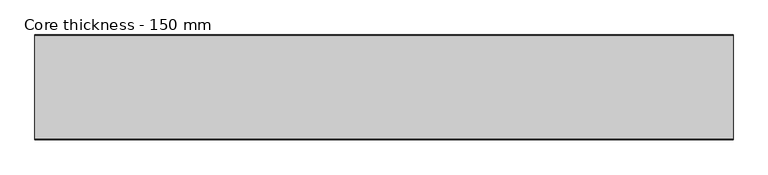
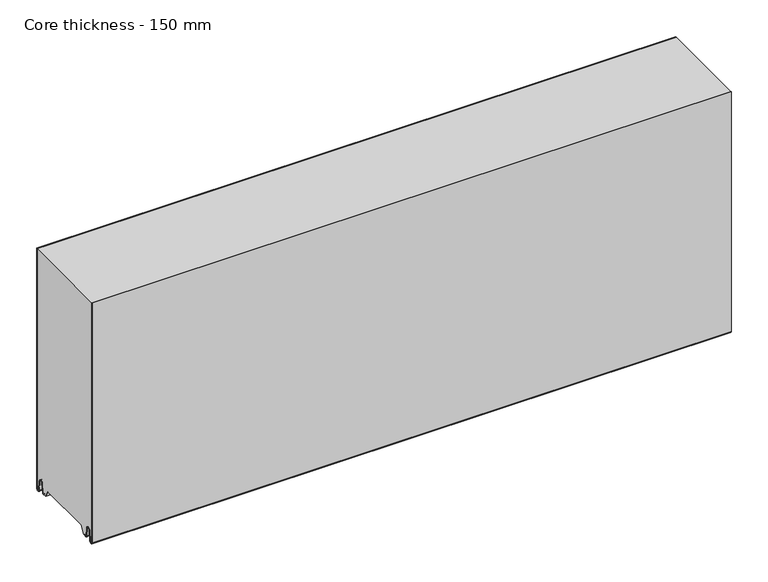
"""IFC4 building model written with IfcOpenShell, lengths in millimetres: plate geometry, Core thickness - 150 mm."""

from ifc_helpers import new_model, si_unit, frame, origin, place, context, project, spatial, polyline, circle_curve, source, transform, mapped, element, save
from ifc_brep_helpers import plane_surface, cylinder_surface, revolved_surface, advanced_brep


def core_thickness_150_mm_a08519d1(model_context):
    return source(origin(), model_context, "Body", "AdvancedBrep", [
        advanced_brep(
        [(500.0000002, -149.9996949, 2.9900682), (500.0000002, -143.81449, 2.6875612), (500.0000002, -142.197116, 19.1828169), (500.0000002, -139.1776715, 21.8898782), (500.0000002, -136.1582271, 19.1828169), (500.0000002, -134.7725998, 5.0510966), (500.0000002, -130.3830995, 5.265779), (500.0000002, -131.1830995, 5.265779), (500.0000002, -133.9764178, 5.1291629), (500.0000002, -135.3620451, 19.2608832), (500.0000002, -139.1776715, 22.6899182), (500.0000002, -142.9932979, 19.2608832), (500.0000002, -144.6106719, 2.7656275), (500.0000002, -149.1996949, 2.9900682), (500.0000002, -149.2, 400.0), (500.0000002, -149.9996949, 400.0), (-500.0000002, -149.1996949, 2.9900682), (-500.0000002, -144.6106719, 2.7656275), (-500.0000002, -142.9932979, 19.2608832), (-500.0000002, -139.1776715, 22.6899182), (-500.0000002, -135.3620451, 19.2608832), (-500.0000002, -133.9764178, 5.1291629), (-500.0000002, -131.1830995, 5.265779), (-500.0000002, -130.3830995, 5.265779), (-500.0000002, -134.7725998, 5.0510966), (-500.0000002, -136.1582271, 19.1828169), (-500.0000002, -139.1776715, 21.8898782), (-500.0000002, -142.197116, 19.1828169), (-500.0000002, -143.81449, 2.6875612), (-500.0000002, -149.9996949, 2.9900682), (-500.0000002, -149.9996949, 400.0), (-500.0000002, -149.2, 400.0)],
        [
            (0, 1, circle_curve(frame((500.0000002, -146.8996949, 2.9900682), z_axis=(1.0, 0.0, 0.0), x_axis=(0.0, 0.0, -1.0)), 3.1)),
            (1, 2),
            (2, 3, circle_curve(frame((500.0000002, -139.2114338, 18.8900682), z_axis=(-1.0, 0.0, 0.0), x_axis=(0.0, 0.0, -1.0)), 3.0)),
            (3, 4, circle_curve(frame((500.0000002, -139.1439093, 18.8900682), z_axis=(-1.0, 0.0, 0.0), x_axis=(0.0, 0.0, -1.0)), 3.0)),
            (4, 5),
            (5, 6, circle_curve(frame((500.0000002, -132.5830995, 5.265779), z_axis=(1.0, 0.0, 0.0), x_axis=(0.0, 0.0, -1.0)), 2.2)),
            (6, 7),
            (7, 8, circle_curve(frame((500.0000002, -132.5830995, 5.265779), z_axis=(-1.0, 0.0, 0.0), x_axis=(0.0, 0.0, -1.0)), 1.4)),
            (8, 9),
            (9, 10, circle_curve(frame((500.0000002, -139.1439093, 18.8900682), z_axis=(1.0, 0.0, 0.0), x_axis=(0.0, 0.0, -1.0)), 3.8)),
            (10, 11, circle_curve(frame((500.0000002, -139.2114338, 18.8900682), z_axis=(1.0, 0.0, 0.0), x_axis=(0.0, 0.0, -1.0)), 3.8)),
            (11, 12),
            (12, 13, circle_curve(frame((500.0000002, -146.8996949, 2.9900682), z_axis=(-1.0, 0.0, 0.0), x_axis=(0.0, 0.0, -1.0)), 2.3)),
            (13, 14),
            (14, 15),
            (15, 0),
            (16, 17, circle_curve(frame((-500.0000002, -146.8996949, 2.9900682), z_axis=(1.0, 0.0, 0.0), x_axis=(0.0, 0.0, -1.0)), 2.3)),
            (17, 18),
            (18, 19, circle_curve(frame((-500.0000002, -139.2114338, 18.8900682), z_axis=(-1.0, 0.0, 0.0), x_axis=(0.0, 0.0, -1.0)), 3.8)),
            (19, 20, circle_curve(frame((-500.0000002, -139.1439093, 18.8900682), z_axis=(-1.0, 0.0, 0.0), x_axis=(0.0, 0.0, -1.0)), 3.8)),
            (20, 21),
            (21, 22, circle_curve(frame((-500.0000002, -132.5830995, 5.265779), z_axis=(1.0, 0.0, 0.0), x_axis=(0.0, 0.0, -1.0)), 1.4)),
            (22, 23),
            (23, 24, circle_curve(frame((-500.0000002, -132.5830995, 5.265779), z_axis=(-1.0, 0.0, 0.0), x_axis=(0.0, 0.0, -1.0)), 2.2)),
            (24, 25),
            (25, 26, circle_curve(frame((-500.0000002, -139.1439093, 18.8900682), z_axis=(1.0, 0.0, 0.0), x_axis=(0.0, 0.0, -1.0)), 3.0)),
            (26, 27, circle_curve(frame((-500.0000002, -139.2114338, 18.8900682), z_axis=(1.0, 0.0, 0.0), x_axis=(0.0, 0.0, -1.0)), 3.0)),
            (27, 28),
            (28, 29, circle_curve(frame((-500.0000002, -146.8996949, 2.9900682), z_axis=(-1.0, 0.0, 0.0), x_axis=(0.0, 0.0, -1.0)), 3.1)),
            (29, 30),
            (30, 31),
            (31, 16),
            (13, 16),
            (31, 14),
            (29, 0),
            (15, 30),
            (12, 17),
            (11, 18),
            (10, 19),
            (9, 20),
            (8, 21),
            (7, 22),
            (6, 23),
            (5, 24),
            (4, 25),
            (3, 26),
            (2, 27),
            (1, 28),
        ],
        [
            plane_surface(frame((500.0000002, -150.0, 0.0), z_axis=(1.0, 0.0, 0.0), x_axis=(0.0, 1.0, 0.0))),
            plane_surface(frame((-500.0000002, -150.0, 0.0), z_axis=(-1.0, 0.0, 0.0), x_axis=(0.0, 1.0, 0.0))),
            plane_surface(frame((500.0000002, -149.2, 2.9900682), z_axis=(0.0, 1.0, 0.0), x_axis=(-1.0, 0.0, 0.0))),
            plane_surface(frame((500.0000002, -149.9996949, 1093.8000005), z_axis=(0.0, -1.0, 0.0), x_axis=(-1.0, 0.0, 0.0))),
            revolved_surface(polyline([(-500.0000002, -146.8996949, 0.6900682000000002), (500.0000002, -146.8996949, 0.6900682000000002)]), (500.0000002, -146.8996949, 2.9900682), (-1.0, 0.0, 0.0)),
            plane_surface(frame((500.0000002, -142.9932979, 19.2608832), z_axis=(0.0, -0.9952273999818314, 0.09758289975914787), x_axis=(-1.0, 0.0, 0.0))),
            cylinder_surface(frame((500.0000002, -139.2114338, 18.8900682), z_axis=(1.0, 0.0, 0.0), x_axis=(0.0, 0.0, -1.0)), 3.8),
            cylinder_surface(frame((500.0000002, -139.1439093, 18.8900682), z_axis=(1.0, 0.0, 0.0), x_axis=(0.0, 0.0, -1.0)), 3.8),
            plane_surface(frame((500.0000002, -133.9764178, 5.1291629), z_axis=(0.0, 0.9952273999818297, 0.09758289975916531), x_axis=(-1.0, 0.0, 0.0))),
            revolved_surface(polyline([(-500.0000002, -132.5830995, 3.8657790000000003), (500.0000002, -132.5830995, 3.8657790000000003)]), (500.0000002, -132.5830995, 5.265779), (-1.0, 0.0, 0.0)),
            plane_surface(frame((500.0000002, -130.3830995, 5.265779), z_axis=(0.0, 0.0, 1.0), x_axis=(-1.0, 0.0, 0.0))),
            cylinder_surface(frame((500.0000002, -132.5830995, 5.265779), z_axis=(1.0, 0.0, 0.0), x_axis=(0.0, 0.0, -1.0)), 2.2),
            plane_surface(frame((500.0000002, -136.1582271, 19.1828169), z_axis=(0.0, -0.9952273999818296, -0.09758289975916527), x_axis=(-1.0, 0.0, 0.0))),
            revolved_surface(polyline([(-500.0000002, -139.1439093, 15.890068200000002), (500.0000002, -139.1439093, 15.890068200000002)]), (500.0000002, -139.1439093, 18.8900682), (-1.0, 0.0, 0.0)),
            revolved_surface(polyline([(-500.0000002, -139.2114338, 15.890068200000002), (500.0000002, -139.2114338, 15.890068200000002)]), (500.0000002, -139.2114338, 18.8900682), (-1.0, 0.0, 0.0)),
            plane_surface(frame((500.0000002, -143.81449, 2.6875612), z_axis=(0.0, 0.9952273999818314, -0.09758289975914787), x_axis=(-1.0, 0.0, 0.0))),
            cylinder_surface(frame((500.0000002, -146.8996949, 2.9900682), z_axis=(1.0, 0.0, 0.0), x_axis=(0.0, 0.0, -1.0)), 3.1),
            plane_surface(frame((-500.0000002, 134.0533409, 400.0), z_axis=(0.0, 0.0, 1.0), x_axis=(1.0, 0.0, 0.0))),
        ],
        [
            (0, [[1, 2, 3, 4, 5, 6, 7, 8, 9, 10, 11, 12, 13, 14, 15, 16]]),
            (1, [[17, 18, 19, 20, 21, 22, 23, 24, 25, 26, 27, 28, 29, 30, 31, 32]]),
            (2, [[33, -32, 34, -14]]),
            (3, [[35, -16, 36, -30]]),
            (4, [[-13, 37, -17, -33]]),
            (5, [[-12, 38, -18, -37]]),
            (6, [[-11, 39, -19, -38]]),
            (7, [[-10, 40, -20, -39]]),
            (8, [[-9, 41, -21, -40]]),
            (9, [[-8, 42, -22, -41]]),
            (10, [[-7, 43, -23, -42]]),
            (11, [[-6, 44, -24, -43]]),
            (12, [[-5, 45, -25, -44]]),
            (13, [[-4, 46, -26, -45]]),
            (14, [[-3, 47, -27, -46]]),
            (15, [[-2, 48, -28, -47]]),
            (16, [[-1, -35, -29, -48]]),
            (17, [[-15, -34, -31, -36]]),
        ],
    ),
        advanced_brep(
        [(500.0000002, -0.8003051, 2.9900682), (500.0000002, -5.3893281, 2.7656275), (500.0000002, -7.0067021, 19.2608832), (500.0000002, -10.8223285, 22.6899182), (500.0000002, -14.6379549, 19.2608832), (500.0000002, -16.0235822, 5.1291629), (500.0000002, -18.8169005, 5.265779), (500.0000002, -19.6169005, 5.265779), (500.0000002, -15.2274002, 5.0510966), (500.0000002, -13.8417729, 19.1828169), (500.0000002, -10.8223285, 21.8898782), (500.0000002, -7.802884, 19.1828169), (500.0000002, -6.18551, 2.6875612), (500.0000002, -0.0003051, 2.9900682), (500.0000002, -0.0003051, 400.0), (500.0000002, -0.8, 400.0), (-500.0000002, -0.0003051, 2.9900682), (-500.0000002, -6.18551, 2.6875612), (-500.0000002, -7.802884, 19.1828169), (-500.0000002, -10.8223285, 21.8898782), (-500.0000002, -13.8417729, 19.1828169), (-500.0000002, -15.2274002, 5.0510966), (-500.0000002, -19.6169005, 5.265779), (-500.0000002, -18.8169005, 5.265779), (-500.0000002, -16.0235822, 5.1291629), (-500.0000002, -14.6379549, 19.2608832), (-500.0000002, -10.8223285, 22.6899182), (-500.0000002, -7.0067021, 19.2608832), (-500.0000002, -5.3893281, 2.7656275), (-500.0000002, -0.8003051, 2.9900682), (-500.0000002, -0.8, 400.0), (-500.0000002, -0.0003051, 400.0)],
        [
            (0, 1, circle_curve(frame((500.0000002, -3.1003051, 2.9900682), z_axis=(-1.0, 0.0, 0.0), x_axis=(0.0, 0.0, -1.0)), 2.3)),
            (1, 2),
            (2, 3, circle_curve(frame((500.0000002, -10.7885662, 18.8900682), z_axis=(1.0, 0.0, 0.0), x_axis=(0.0, 0.0, -1.0)), 3.8)),
            (3, 4, circle_curve(frame((500.0000002, -10.8560907, 18.8900682), z_axis=(1.0, 0.0, 0.0), x_axis=(0.0, 0.0, -1.0)), 3.8)),
            (4, 5),
            (5, 6, circle_curve(frame((500.0000002, -17.4169005, 5.265779), z_axis=(-1.0, 0.0, 0.0), x_axis=(0.0, 0.0, -1.0)), 1.4)),
            (6, 7),
            (7, 8, circle_curve(frame((500.0000002, -17.4169005, 5.265779), z_axis=(1.0, 0.0, 0.0), x_axis=(0.0, 0.0, -1.0)), 2.2)),
            (8, 9),
            (9, 10, circle_curve(frame((500.0000002, -10.8560907, 18.8900682), z_axis=(-1.0, 0.0, 0.0), x_axis=(0.0, 0.0, -1.0)), 3.0)),
            (10, 11, circle_curve(frame((500.0000002, -10.7885662, 18.8900682), z_axis=(-1.0, 0.0, 0.0), x_axis=(0.0, 0.0, -1.0)), 3.0)),
            (11, 12),
            (12, 13, circle_curve(frame((500.0000002, -3.1003051, 2.9900682), z_axis=(1.0, 0.0, 0.0), x_axis=(0.0, 0.0, -1.0)), 3.1)),
            (13, 14),
            (14, 15),
            (15, 0),
            (16, 17, circle_curve(frame((-500.0000002, -3.1003051, 2.9900682), z_axis=(-1.0, 0.0, 0.0), x_axis=(0.0, 0.0, -1.0)), 3.1)),
            (17, 18),
            (18, 19, circle_curve(frame((-500.0000002, -10.7885662, 18.8900682), z_axis=(1.0, 0.0, 0.0), x_axis=(0.0, 0.0, -1.0)), 3.0)),
            (19, 20, circle_curve(frame((-500.0000002, -10.8560907, 18.8900682), z_axis=(1.0, 0.0, 0.0), x_axis=(0.0, 0.0, -1.0)), 3.0)),
            (20, 21),
            (21, 22, circle_curve(frame((-500.0000002, -17.4169005, 5.265779), z_axis=(-1.0, 0.0, 0.0), x_axis=(0.0, 0.0, -1.0)), 2.2)),
            (22, 23),
            (23, 24, circle_curve(frame((-500.0000002, -17.4169005, 5.265779), z_axis=(1.0, 0.0, 0.0), x_axis=(0.0, 0.0, -1.0)), 1.4)),
            (24, 25),
            (25, 26, circle_curve(frame((-500.0000002, -10.8560907, 18.8900682), z_axis=(-1.0, 0.0, 0.0), x_axis=(0.0, 0.0, -1.0)), 3.8)),
            (26, 27, circle_curve(frame((-500.0000002, -10.7885662, 18.8900682), z_axis=(-1.0, 0.0, 0.0), x_axis=(0.0, 0.0, -1.0)), 3.8)),
            (27, 28),
            (28, 29, circle_curve(frame((-500.0000002, -3.1003051, 2.9900682), z_axis=(1.0, 0.0, 0.0), x_axis=(0.0, 0.0, -1.0)), 2.3)),
            (29, 30),
            (30, 31),
            (31, 16),
            (13, 16),
            (31, 14),
            (29, 0),
            (15, 30),
            (12, 17),
            (11, 18),
            (10, 19),
            (9, 20),
            (8, 21),
            (7, 22),
            (6, 23),
            (5, 24),
            (4, 25),
            (3, 26),
            (2, 27),
            (1, 28),
        ],
        [
            plane_surface(frame((500.0000002, 0.0, 0.0), z_axis=(1.0, 0.0, 0.0), x_axis=(0.0, -1.0, 0.0))),
            plane_surface(frame((-500.0000002, 0.0, 0.0), z_axis=(-1.0, 0.0, 0.0), x_axis=(0.0, -1.0, 0.0))),
            plane_surface(frame((500.0000002, -0.0003051, 2.9900682), z_axis=(0.0, 1.0, 0.0), x_axis=(-1.0, 0.0, 0.0))),
            plane_surface(frame((500.0000002, -0.8, 1093.8000005), z_axis=(0.0, -1.0, 0.0), x_axis=(-1.0, 0.0, 0.0))),
            cylinder_surface(frame((500.0000002, -3.1003051, 2.9900682), z_axis=(1.0, 0.0, 0.0), x_axis=(0.0, 0.0, -1.0)), 3.1),
            plane_surface(frame((500.0000002, -7.802884, 19.1828169), z_axis=(0.0, -0.9952273999818314, -0.09758289975914787), x_axis=(-1.0, 0.0, 0.0))),
            revolved_surface(polyline([(-500.0000002, -10.7885662, 15.890068200000002), (500.0000002, -10.7885662, 15.890068200000002)]), (500.0000002, -10.7885662, 18.8900682), (-1.0, 0.0, 0.0)),
            revolved_surface(polyline([(-500.0000002, -10.8560907, 15.890068200000002), (500.0000002, -10.8560907, 15.890068200000002)]), (500.0000002, -10.8560907, 18.8900682), (-1.0, 0.0, 0.0)),
            plane_surface(frame((500.0000002, -15.2274002, 5.0510966), z_axis=(0.0, 0.9952273999818296, -0.09758289975916527), x_axis=(-1.0, 0.0, 0.0))),
            cylinder_surface(frame((500.0000002, -17.4169005, 5.265779), z_axis=(1.0, 0.0, 0.0), x_axis=(0.0, 0.0, -1.0)), 2.2),
            plane_surface(frame((500.0000002, -18.8169005, 5.265779), z_axis=(0.0, 0.0, 1.0), x_axis=(-1.0, 0.0, 0.0))),
            revolved_surface(polyline([(-500.0000002, -17.4169005, 3.8657790000000003), (500.0000002, -17.4169005, 3.8657790000000003)]), (500.0000002, -17.4169005, 5.265779), (-1.0, 0.0, 0.0)),
            plane_surface(frame((500.0000002, -14.6379549, 19.2608832), z_axis=(0.0, -0.9952273999818297, 0.09758289975916531), x_axis=(-1.0, 0.0, 0.0))),
            cylinder_surface(frame((500.0000002, -10.8560907, 18.8900682), z_axis=(1.0, 0.0, 0.0), x_axis=(0.0, 0.0, -1.0)), 3.8),
            cylinder_surface(frame((500.0000002, -10.7885662, 18.8900682), z_axis=(1.0, 0.0, 0.0), x_axis=(0.0, 0.0, -1.0)), 3.8),
            plane_surface(frame((500.0000002, -5.3893281, 2.7656275), z_axis=(0.0, 0.9952273999818314, 0.09758289975914787), x_axis=(-1.0, 0.0, 0.0))),
            revolved_surface(polyline([(-500.0000002, -3.1003051, 0.6900682000000002), (500.0000002, -3.1003051, 0.6900682000000002)]), (500.0000002, -3.1003051, 2.9900682), (-1.0, 0.0, 0.0)),
            plane_surface(frame((-500.0000002, 134.0533409, 400.0), z_axis=(0.0, 0.0, 1.0), x_axis=(1.0, 0.0, 0.0))),
        ],
        [
            (0, [[1, 2, 3, 4, 5, 6, 7, 8, 9, 10, 11, 12, 13, 14, 15, 16]]),
            (1, [[17, 18, 19, 20, 21, 22, 23, 24, 25, 26, 27, 28, 29, 30, 31, 32]]),
            (2, [[33, -32, 34, -14]]),
            (3, [[35, -16, 36, -30]]),
            (4, [[-13, 37, -17, -33]]),
            (5, [[-12, 38, -18, -37]]),
            (6, [[-11, 39, -19, -38]]),
            (7, [[-10, 40, -20, -39]]),
            (8, [[-9, 41, -21, -40]]),
            (9, [[-8, 42, -22, -41]]),
            (10, [[-7, 43, -23, -42]]),
            (11, [[-6, 44, -24, -43]]),
            (12, [[-5, 45, -25, -44]]),
            (13, [[-4, 46, -26, -45]]),
            (14, [[-3, 47, -27, -46]]),
            (15, [[-2, 48, -28, -47]]),
            (16, [[-1, -35, -29, -48]]),
            (17, [[-15, -34, -31, -36]]),
        ],
    ),
        advanced_brep(
        [(500.0000002, -119.873448, 15.0417681), (500.0000002, -30.126552, 15.0417681), (500.0000002, -23.4086055, 3.0684055), (500.0000002, -17.4169005, 3.0684055), (500.0000002, -19.6169005, 5.265779), (500.0000002, -18.8169005, 5.265779), (500.0000002, -16.0235822, 5.1291629), (500.0000002, -14.6379549, 19.2608832), (500.0000002, -10.8223285, 22.6899182), (500.0000002, -7.0067021, 19.2608832), (500.0000002, -5.3893281, 2.7656275), (500.0000002, -0.8003051, 2.9900682), (500.0000002, -0.8, 400.0), (500.0000002, -149.2, 400.0), (500.0000002, -149.2, 2.9900682), (500.0000002, -144.6106719, 2.7656275), (500.0000002, -142.9932979, 19.2608832), (500.0000002, -139.1776715, 22.6899182), (500.0000002, -135.3620451, 19.2608832), (500.0000002, -133.9764178, 5.1291629), (500.0000002, -131.1830995, 5.265779), (500.0000002, -130.3830995, 5.265779), (500.0000002, -132.5830995, 3.065779), (500.0000002, -126.5913945, 3.0684055), (-500.0000002, -30.126552, 15.0417681), (-500.0000002, -119.873448, 15.0417681), (-500.0000002, -126.5913945, 3.0684055), (-500.0000002, -132.5830995, 3.0684055), (-500.0000002, -130.3830995, 5.265779), (-500.0000002, -131.1830995, 5.265779), (-500.0000002, -133.9764178, 5.1291629), (-500.0000002, -135.3620451, 19.2608832), (-500.0000002, -139.1776715, 22.6899182), (-500.0000002, -142.9932979, 19.2608832), (-500.0000002, -144.6106719, 2.7656275), (-500.0000002, -149.1996949, 2.9900682), (-500.0000002, -149.2, 400.0), (-500.0000002, -0.8, 400.0), (-500.0000002, -0.8, 2.9900682), (-500.0000002, -5.3893281, 2.7656275), (-500.0000002, -7.0067021, 19.2608832), (-500.0000002, -10.8223285, 22.6899182), (-500.0000002, -14.6379549, 19.2608832), (-500.0000002, -16.0235822, 5.1291629), (-500.0000002, -18.8169005, 5.265779), (-500.0000002, -19.6169005, 5.265779), (-500.0000002, -17.4169005, 3.065779), (-500.0000002, -23.4086055, 3.0684055)],
        [
            (0, 1),
            (1, 2),
            (2, 3),
            (3, 4, circle_curve(frame((500.0000002, -17.4169005, 5.265779), z_axis=(-1.0, 0.0, 0.0), x_axis=(0.0, 0.0, -1.0)), 2.2)),
            (4, 5),
            (5, 6, circle_curve(frame((500.0000002, -17.4169005, 5.265779), z_axis=(1.0, 0.0, 0.0), x_axis=(0.0, 0.0, -1.0)), 1.4)),
            (6, 7),
            (7, 8, circle_curve(frame((500.0000002, -10.8560907, 18.8900682), z_axis=(-1.0, 0.0, 0.0), x_axis=(0.0, 0.0, -1.0)), 3.8)),
            (8, 9, circle_curve(frame((500.0000002, -10.7885662, 18.8900682), z_axis=(-1.0, 0.0, 0.0), x_axis=(0.0, 0.0, -1.0)), 3.8)),
            (9, 10),
            (10, 11, circle_curve(frame((500.0000002, -3.1003051, 2.9900682), z_axis=(1.0, 0.0, 0.0), x_axis=(0.0, 0.0, -1.0)), 2.3)),
            (11, 12),
            (12, 13),
            (13, 14),
            (14, 15, circle_curve(frame((500.0000002, -146.8996949, 2.9900682), z_axis=(1.0, 0.0, 0.0), x_axis=(0.0, 0.0, -1.0)), 2.3)),
            (15, 16),
            (16, 17, circle_curve(frame((500.0000002, -139.2114338, 18.8900682), z_axis=(-1.0, 0.0, 0.0), x_axis=(0.0, 0.0, -1.0)), 3.8)),
            (17, 18, circle_curve(frame((500.0000002, -139.1439093, 18.8900682), z_axis=(-1.0, 0.0, 0.0), x_axis=(0.0, 0.0, -1.0)), 3.8)),
            (18, 19),
            (19, 20, circle_curve(frame((500.0000002, -132.5830995, 5.265779), z_axis=(1.0, 0.0, 0.0), x_axis=(0.0, 0.0, -1.0)), 1.4)),
            (20, 21),
            (21, 22, circle_curve(frame((500.0000002, -132.5830995, 5.265779), z_axis=(-1.0, 0.0, 0.0), x_axis=(0.0, 0.0, -1.0)), 2.2)),
            (22, 23),
            (23, 0),
            (24, 25),
            (25, 26),
            (26, 27),
            (27, 28, circle_curve(frame((-500.0000002, -132.5830995, 5.265779), z_axis=(1.0, 0.0, 0.0), x_axis=(0.0, 0.0, -1.0)), 2.2)),
            (28, 29),
            (29, 30, circle_curve(frame((-500.0000002, -132.5830995, 5.265779), z_axis=(-1.0, 0.0, 0.0), x_axis=(0.0, 0.0, -1.0)), 1.4)),
            (30, 31),
            (31, 32, circle_curve(frame((-500.0000002, -139.1439093, 18.8900682), z_axis=(1.0, 0.0, 0.0), x_axis=(0.0, 0.0, -1.0)), 3.8)),
            (32, 33, circle_curve(frame((-500.0000002, -139.2114338, 18.8900682), z_axis=(1.0, 0.0, 0.0), x_axis=(0.0, 0.0, -1.0)), 3.8)),
            (33, 34),
            (34, 35, circle_curve(frame((-500.0000002, -146.8996949, 2.9900682), z_axis=(-1.0, 0.0, 0.0), x_axis=(0.0, 0.0, -1.0)), 2.3)),
            (35, 36),
            (36, 37),
            (37, 38),
            (38, 39, circle_curve(frame((-500.0000002, -3.1003051, 2.9900682), z_axis=(-1.0, 0.0, 0.0), x_axis=(0.0, 0.0, -1.0)), 2.3)),
            (39, 40),
            (40, 41, circle_curve(frame((-500.0000002, -10.7885662, 18.8900682), z_axis=(1.0, 0.0, 0.0), x_axis=(0.0, 0.0, -1.0)), 3.8)),
            (41, 42, circle_curve(frame((-500.0000002, -10.8560907, 18.8900682), z_axis=(1.0, 0.0, 0.0), x_axis=(0.0, 0.0, -1.0)), 3.8)),
            (42, 43),
            (43, 44, circle_curve(frame((-500.0000002, -17.4169005, 5.265779), z_axis=(-1.0, 0.0, 0.0), x_axis=(0.0, 0.0, -1.0)), 1.4)),
            (44, 45),
            (45, 46, circle_curve(frame((-500.0000002, -17.4169005, 5.265779), z_axis=(1.0, 0.0, 0.0), x_axis=(0.0, 0.0, -1.0)), 2.2)),
            (46, 47),
            (47, 24),
            (1, 24),
            (47, 2),
            (0, 25),
            (23, 26),
            (46, 3),
            (22, 27),
            (35, 14),
            (13, 36),
            (34, 15),
            (33, 16),
            (32, 17),
            (31, 18),
            (30, 19),
            (29, 20),
            (28, 21),
            (12, 37),
            (11, 38),
            (45, 4),
            (44, 5),
            (43, 6),
            (42, 7),
            (41, 8),
            (40, 9),
            (39, 10),
        ],
        [
            plane_surface(frame((500.0000002, 0.0, 0.0), z_axis=(1.0, 0.0, 0.0), x_axis=(0.0, -1.0, 0.0))),
            plane_surface(frame((-500.0000002, 0.0, 0.0), z_axis=(-1.0, 0.0, 0.0), x_axis=(0.0, -1.0, 0.0))),
            plane_surface(frame((500.0000002, -30.126552, 15.0417681), z_axis=(0.0, -0.8721062992196836, -0.4893164649399687), x_axis=(-1.0, 0.0, 0.0))),
            plane_surface(frame((500.0000002, -119.873448, 15.0417681), z_axis=(0.0, 0.0, -1.0), x_axis=(-1.0, 0.0, 0.0))),
            plane_surface(frame((500.0000002, -126.8190247, 2.6627014), z_axis=(0.0, 0.8721062992196852, -0.48931646493996606), x_axis=(-1.0, 0.0, 0.0))),
            plane_surface(frame((-500.0000002, -132.5830995, 3.0684055), z_axis=(0.0, 0.0, -1.0), x_axis=(1.0, 0.0, 0.0))),
            plane_surface(frame((630.0000002, -149.2, 2.9900682), z_axis=(0.0, -1.0, 0.0), x_axis=(-1.0, 0.0, 0.0))),
            cylinder_surface(frame((630.0000002, -146.8996949, 2.9900682), z_axis=(-1.0, 0.0, 0.0), x_axis=(0.0, 0.0, -1.0)), 2.3),
            plane_surface(frame((630.0000002, -142.9932979, 19.2608832), z_axis=(0.0, 0.9952273999818314, -0.09758289975914787), x_axis=(-1.0, 0.0, 0.0))),
            revolved_surface(polyline([(500.0000002, -139.2114338, 15.090068200000001), (-500.00000020000004, -139.2114338, 15.090068200000001)]), (630.0000002, -139.2114338, 18.8900682), (1.0, 0.0, 0.0)),
            revolved_surface(polyline([(500.0000002, -139.1439093, 15.090068200000001), (-500.00000020000004, -139.1439093, 15.090068200000001)]), (630.0000002, -139.1439093, 18.8900682), (1.0, 0.0, 0.0)),
            plane_surface(frame((630.0000002, -133.9764178, 5.1291629), z_axis=(0.0, -0.9952273999818297, -0.09758289975916531), x_axis=(-1.0, 0.0, 0.0))),
            cylinder_surface(frame((630.0000002, -132.5830995, 5.265779), z_axis=(-1.0, 0.0, 0.0), x_axis=(0.0, 0.0, -1.0)), 1.4),
            plane_surface(frame((630.0000002, -130.3830995, 5.265779), z_axis=(0.0, 0.0, -1.0), x_axis=(-1.0, 0.0, 0.0))),
            revolved_surface(polyline([(500.0000002, -132.5830995, 3.065779), (-500.00000020000004, -132.5830995, 3.065779)]), (630.0000002, -132.5830995, 5.265779), (1.0, 0.0, 0.0)),
            plane_surface(frame((-500.0000002, 134.0533409, 400.0), z_axis=(0.0, 0.0, 1.0), x_axis=(1.0, 0.0, 0.0))),
            plane_surface(frame((630.0000002, -0.8, 1093.8000005), z_axis=(0.0, 1.0, 0.0), x_axis=(-1.0, 0.0, 0.0))),
            revolved_surface(polyline([(500.0000002, -17.4169005, 3.065779), (-500.00000020000004, -17.4169005, 3.065779)]), (630.0000002, -17.4169005, 5.265779), (1.0, 0.0, 0.0)),
            plane_surface(frame((630.0000002, -18.8169005, 5.265779), z_axis=(0.0, 0.0, -1.0), x_axis=(-1.0, 0.0, 0.0))),
            cylinder_surface(frame((630.0000002, -17.4169005, 5.265779), z_axis=(-1.0, 0.0, 0.0), x_axis=(0.0, 0.0, -1.0)), 1.4),
            plane_surface(frame((630.0000002, -14.6379549, 19.2608832), z_axis=(0.0, 0.9952273999818297, -0.09758289975916531), x_axis=(-1.0, 0.0, 0.0))),
            revolved_surface(polyline([(500.0000002, -10.8560907, 15.090068200000001), (-500.00000020000004, -10.8560907, 15.090068200000001)]), (630.0000002, -10.8560907, 18.8900682), (1.0, 0.0, 0.0)),
            revolved_surface(polyline([(500.0000002, -10.7885662, 15.090068200000001), (-500.00000020000004, -10.7885662, 15.090068200000001)]), (630.0000002, -10.7885662, 18.8900682), (1.0, 0.0, 0.0)),
            plane_surface(frame((630.0000002, -5.3893281, 2.7656275), z_axis=(0.0, -0.9952273999818314, -0.09758289975914787), x_axis=(-1.0, 0.0, 0.0))),
            cylinder_surface(frame((630.0000002, -3.1003051, 2.9900682), z_axis=(-1.0, 0.0, 0.0), x_axis=(0.0, 0.0, -1.0)), 2.3),
        ],
        [
            (0, [[1, 2, 3, 4, 5, 6, 7, 8, 9, 10, 11, 12, 13, 14, 15, 16, 17, 18, 19, 20, 21, 22, 23, 24]]),
            (1, [[25, 26, 27, 28, 29, 30, 31, 32, 33, 34, 35, 36, 37, 38, 39, 40, 41, 42, 43, 44, 45, 46, 47, 48]]),
            (2, [[49, -48, 50, -2]]),
            (3, [[-1, 51, -25, -49]]),
            (4, [[-51, -24, 52, -26]]),
            (5, [[-3, -50, -47, 53]]),
            (5, [[-23, 54, -27, -52]]),
            (6, [[55, -14, 56, -36]]),
            (7, [[-55, -35, 57, -15]]),
            (8, [[-57, -34, 58, -16]]),
            (9, [[-58, -33, 59, -17]]),
            (10, [[-59, -32, 60, -18]]),
            (11, [[-60, -31, 61, -19]]),
            (12, [[-61, -30, 62, -20]]),
            (13, [[-62, -29, 63, -21]]),
            (14, [[-63, -28, -54, -22]]),
            (15, [[64, -37, -56, -13]]),
            (16, [[65, -38, -64, -12]]),
            (17, [[66, -4, -53, -46]]),
            (18, [[-66, -45, 67, -5]]),
            (19, [[-67, -44, 68, -6]]),
            (20, [[-68, -43, 69, -7]]),
            (21, [[-69, -42, 70, -8]]),
            (22, [[-70, -41, 71, -9]]),
            (23, [[-71, -40, 72, -10]]),
            (24, [[-72, -39, -65, -11]]),
        ],
    ),
    ])


if __name__ == "__main__":
    model = new_model("IFC4")
    model_context = context("Model", 3, world=origin())
    ifc_project = project(units=[si_unit("LENGTHUNIT", "METRE", prefix="MILLI")], contexts=[model_context])
    site = spatial("IfcSite", under=ifc_project)
    building = spatial("IfcBuilding", under=site)
    placement = place(None, origin())
    core_thickness_150_mm_shape = core_thickness_150_mm_a08519d1(model_context)
    element("IfcPlate", 1, ObjectType="Core thickness - 150 mm", at=placement, inside=building, context=model_context, shape_type="MappedRepresentation", body=[
        mapped(core_thickness_150_mm_shape, transform((0.0, 0.0, 0.0), x_axis=(1.0, 0.0, 0.0), y_axis=(0.0, 1.0, 0.0), z_axis=(0.0, 0.0, 1.0))),
    ])
    save(model, "model.ifc")
